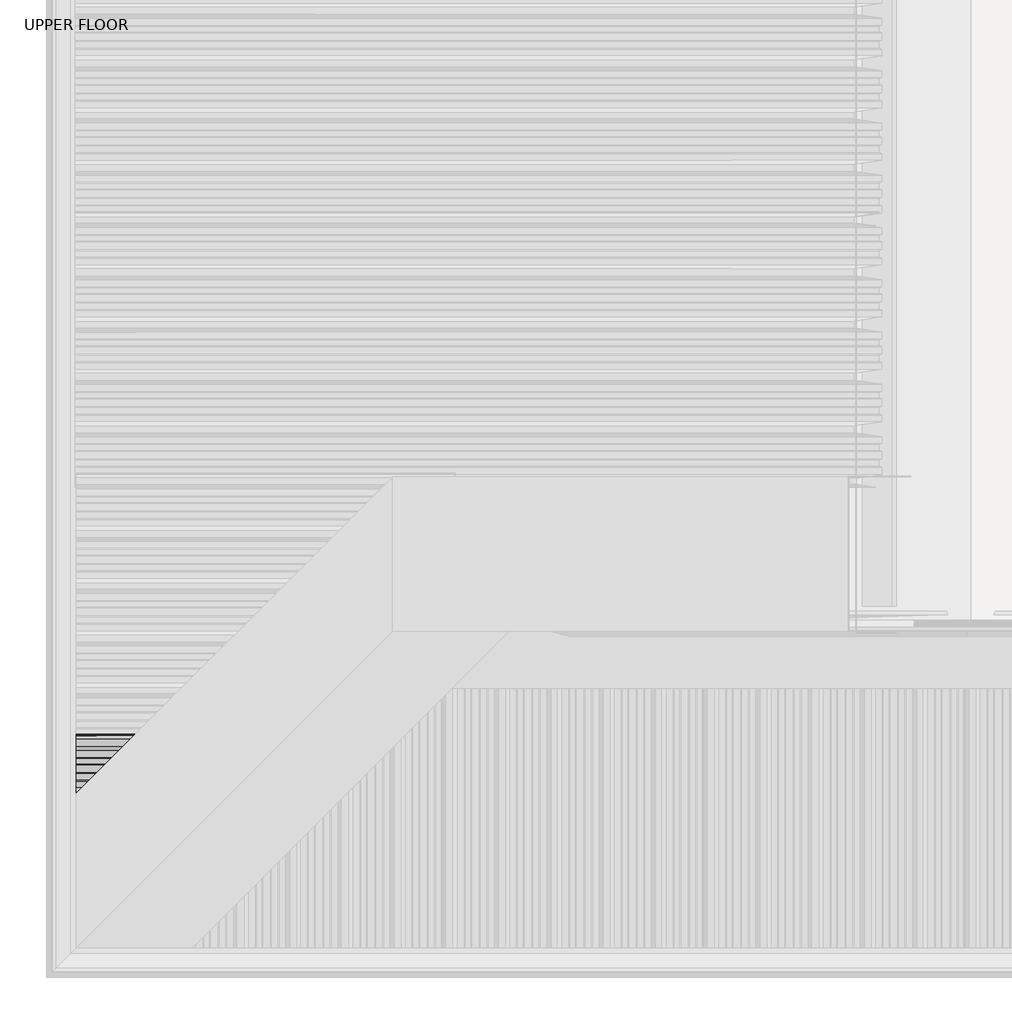
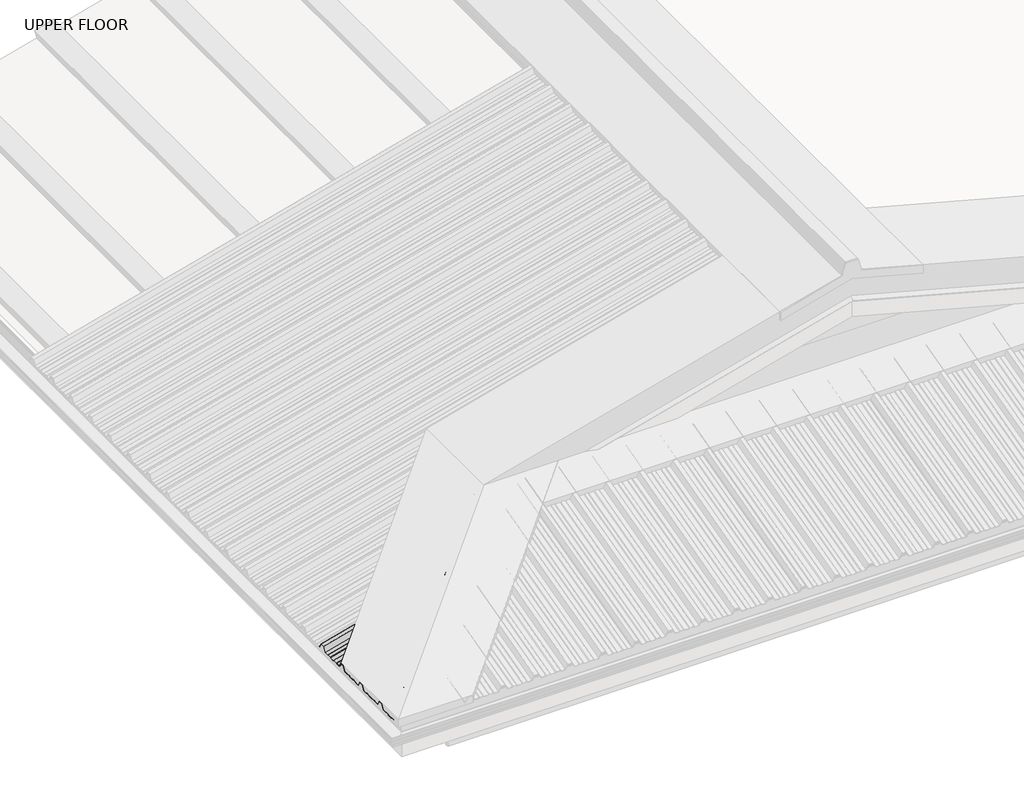
# One storey, part 2 of 21: 1 beam.
"""IFC4 building model written with IfcOpenShell, lengths in millimetres."""

from ifc_helpers import new_model, si_unit, frame, origin, place, context, project, spatial, ellipse_curve, element, save
from ifc_brep_helpers import plane_surface, cylinder_surface, advanced_brep

model = new_model("IFC4")

# Units and contexts
model_context = context("Model", 3, world=origin())
ifc_project = project(units=[si_unit("LENGTHUNIT", "METRE", prefix="MILLI")], contexts=[model_context])

# Site, building, storey
site = spatial("IfcSite", under=ifc_project)
building = spatial("IfcBuilding", under=site)
storey = spatial("IfcBuildingStorey", under=building, Name="UPPER FLOOR", Elevation=2700.0)

# Beam
placement = place(None, origin())
element("IfcBeam", 1, at=placement, inside=storey, context=model_context, shape_type="AdvancedBrep", body=[
    advanced_brep(
    [(-576.6283303, -4610.1271871, 3277.5844921), (-592.3448479, -4625.8437047, 3273.3732639), (-592.3448479, -4610.1271871, 3273.3732639), (-573.3641663, -4606.8630231, 3276.3885699), (-592.3448479, -4606.8630231, 3271.3027116), (-551.0771581, -4584.5760149, 3282.3603557), (-592.3448479, -4584.5760149, 3271.3027116), (-548.0356996, -4581.5345564, 3285.2458645), (-592.3448479, -4581.5345564, 3273.3732639), (-532.3698957, -4565.8687525, 3289.4435039), (-592.3448479, -4565.8687525, 3273.3732639), (-529.3262538, -4562.8251106, 3288.188493), (-592.3448479, -4562.8251106, 3271.3027116), (-509.0038154, -4542.5026721, 3293.6338739), (-592.3448479, -4542.5026721, 3271.3027116), (-497.0184595, -4530.5173163, 3318.5861402), (-592.3448479, -4530.5173163, 3293.0435114), (-478.0172403, -4511.516097, 3323.6775015), (-592.3448479, -4511.516097, 3293.0435114), (-466.0038154, -4499.5026721, 3305.1556892), (-592.3448479, -4499.5026721, 3271.3027116), (-446.3617674, -4479.8606242, 3310.4187601), (-592.3448479, -4479.8606242, 3271.3027116), (-442.2351654, -4475.7340222, 3313.5950321), (-592.3448479, -4475.7340222, 3273.3732639), (-424.6283303, -4458.1271871, 3318.3127694), (-592.3448479, -4458.1271871, 3273.3732639), (-421.3641663, -4454.8630231, 3317.1168471), (-592.3448479, -4454.8630231, 3271.3027116), (-399.0771581, -4432.5760149, 3323.088633), (-592.3448479, -4432.5760149, 3271.3027116), (-396.0356996, -4429.5345564, 3325.9741417), (-592.3448479, -4429.5345564, 3273.3732639), (-380.3698957, -4413.8687525, 3330.1717812), (-592.3448479, -4413.8687525, 3273.3732639), (-377.3262538, -4410.8251106, 3328.9167702), (-592.3448479, -4410.8251106, 3271.3027116), (-357.0038154, -4390.5026721, 3334.3621512), (-592.3448479, -4390.5026721, 3271.3027116), (-345.0184595, -4378.5173163, 3359.3144174), (-592.3448479, -4378.5173163, 3293.0435114), (-326.0172403, -4359.516097, 3364.4057788), (-592.3448479, -4359.516097, 3293.0435114), (-314.0038154, -4347.5026721, 3345.8839665), (-592.3448479, -4347.5026721, 3271.3027116), (-294.3617674, -4327.8606242, 3351.1470374), (-592.3448479, -4327.8606242, 3271.3027116), (-290.2351654, -4323.7340222, 3354.3233094), (-592.3448479, -4323.7340222, 3273.3732639), (-272.6283303, -4306.1271871, 3359.0410466), (-592.3448479, -4306.1271871, 3273.3732639), (-269.3641663, -4302.8630231, 3357.8451244), (-592.3448479, -4302.8630231, 3271.3027116), (-247.0771581, -4280.5760149, 3363.8169102), (-592.3448479, -4280.5760149, 3271.3027116), (-244.0356996, -4277.5345564, 3366.702419), (-592.3448479, -4277.5345564, 3273.3732639), (-228.3698957, -4261.8687525, 3370.9000584), (-592.3448479, -4261.8687525, 3273.3732639), (-225.3262538, -4258.8251106, 3369.6450475), (-592.3448479, -4258.8251106, 3271.3027116), (-205.0038154, -4238.5026721, 3375.0904284), (-592.3448479, -4238.5026721, 3271.3027116), (-193.0184595, -4226.5173163, 3400.0426947), (-592.3448479, -4226.5173163, 3293.0435114), (-174.0172403, -4207.516097, 3405.134056), (-592.3448479, -4207.516097, 3293.0435114), (-162.0038154, -4195.5026721, 3386.6122437), (-592.3448479, -4195.5026721, 3271.3027116), (-142.3617674, -4175.8606242, 3391.8753146), (-592.3448479, -4175.8606242, 3271.3027116), (-138.2351654, -4171.7340222, 3395.0515866), (-592.3448479, -4171.7340222, 3273.3732639), (-120.6283303, -4154.1271871, 3399.7693239), (-592.3448479, -4154.1271871, 3273.3732639), (-117.3641663, -4150.8630231, 3398.5734016), (-592.3448479, -4150.8630231, 3271.3027116), (-95.0771581, -4128.5760149, 3404.5451875), (-592.3448479, -4128.5760149, 3271.3027116), (-92.0356996, -4125.5345564, 3407.4306962), (-592.3448479, -4125.5345564, 3273.3732639), (-76.3698957, -4109.8687525, 3411.6283357), (-592.3448479, -4109.8687525, 3273.3732639), (-73.3262538, -4106.8251106, 3410.3733247), (-592.3448479, -4106.8251106, 3271.3027116), (-53.0038154, -4086.5026721, 3415.8187057), (-592.3448479, -4086.5026721, 3271.3027116), (-41.0184595, -4074.5173163, 3440.7709719), (-592.3448479, -4074.5173163, 3293.0435114), (-22.0172403, -4055.516097, 3445.8623333), (-592.3448479, -4055.516097, 3293.0435114), (-11.1479511, -4044.6468079, 3429.1045031), (-592.3448479, -4044.6468079, 3273.3732639), (-7.7124214, -4041.2112782, 3430.0250505), (-592.3448479, -4041.2112782, 3273.3732639), (-7.7124214, -4041.2112782, 3431.0603267), (-592.3448479, -4041.2112782, 3274.4085401), (-10.6485607, -4044.1474175, 3430.2735905), (-592.3448479, -4044.1474175, 3274.4085401), (-21.5178499, -4055.0167067, 3447.0314207), (-592.3448479, -4055.0167067, 3294.0787875), (-41.5178499, -4075.0167067, 3441.6724368), (-592.3448479, -4075.0167067, 3294.0787875), (-53.5032058, -4087.0020625, 3416.7201706), (-592.3448479, -4087.0020625, 3272.3379878), (-73.0271028, -4106.5259596, 3411.4887582), (-592.3448479, -4106.5259596, 3272.3379878), (-76.0707447, -4109.5696015, 3412.7437692), (-592.3448479, -4109.5696015, 3274.4085401), (-92.3350301, -4125.8338868, 3408.385767), (-592.3448479, -4125.8338868, 3274.4085401), (-95.3764886, -4128.8753453, 3405.5002583), (-592.3448479, -4128.8753453, 3272.3379878), (-117.0821711, -4150.5810278, 3399.6842382), (-592.3448479, -4150.5810278, 3272.3379878), (-120.3463351, -4153.8451918, 3400.8801605), (-592.3448479, -4153.8451918, 3274.4085401), (-138.4647253, -4171.9635821, 3396.0253524), (-592.3448479, -4171.9635821, 3274.4085401), (-142.5913273, -4176.0901841, 3392.8490804), (-592.3448479, -4176.0901841, 3272.3379878), (-161.504425, -4195.0032818, 3387.7813311), (-592.3448479, -4195.0032818, 3272.3379878), (-173.5178499, -4207.0167067, 3406.3031434), (-592.3448479, -4207.0167067, 3294.0787875), (-193.5178499, -4227.0167067, 3400.9441596), (-592.3448479, -4227.0167067, 3294.0787875), (-205.5032058, -4239.0020625, 3375.9918934), (-592.3448479, -4239.0020625, 3272.3379878), (-225.0271028, -4258.5259596, 3370.7604809), (-592.3448479, -4258.5259596, 3272.3379878), (-228.0707447, -4261.5696015, 3372.0154919), (-592.3448479, -4261.5696015, 3274.4085401), (-244.3350301, -4277.8338868, 3367.6574898), (-592.3448479, -4277.8338868, 3274.4085401), (-247.3764886, -4280.8753453, 3364.7719811), (-592.3448479, -4280.8753453, 3272.3379878), (-269.0821711, -4302.5810278, 3358.955961), (-592.3448479, -4302.5810278, 3272.3379878), (-272.3463351, -4305.8451918, 3360.1518832), (-592.3448479, -4305.8451918, 3274.4085401), (-290.4647253, -4323.9635821, 3355.2970752), (-592.3448479, -4323.9635821, 3274.4085401), (-294.5913273, -4328.0901841, 3352.1208031), (-592.3448479, -4328.0901841, 3272.3379878), (-313.504425, -4347.0032818, 3347.0530539), (-592.3448479, -4347.0032818, 3272.3379878), (-325.5178499, -4359.0167067, 3365.5748662), (-592.3448479, -4359.0167067, 3294.0787875), (-345.5178499, -4379.0167067, 3360.2158823), (-592.3448479, -4379.0167067, 3294.0787875), (-357.5032058, -4391.0020625, 3335.2636161), (-592.3448479, -4391.0020625, 3272.3379878), (-377.0271028, -4410.5259596, 3330.0322037), (-592.3448479, -4410.5259596, 3272.3379878), (-380.0707447, -4413.5696015, 3331.2872147), (-592.3448479, -4413.5696015, 3274.4085401), (-396.3350301, -4429.8338868, 3326.9292125), (-592.3448479, -4429.8338868, 3274.4085401), (-399.3764886, -4432.8753453, 3324.0437038), (-592.3448479, -4432.8753453, 3272.3379878), (-421.0821711, -4454.5810278, 3318.2276837), (-592.3448479, -4454.5810278, 3272.3379878), (-424.3463351, -4457.8451918, 3319.423606), (-592.3448479, -4457.8451918, 3274.4085401), (-442.4647253, -4475.9635821, 3314.5687979), (-592.3448479, -4475.9635821, 3274.4085401), (-446.5913273, -4480.0901841, 3311.3925259), (-592.3448479, -4480.0901841, 3272.3379878), (-465.504425, -4499.0032818, 3306.3247766), (-592.3448479, -4499.0032818, 3272.3379878), (-477.5178499, -4511.0167067, 3324.8465889), (-592.3448479, -4511.0167067, 3294.0787875), (-497.5178499, -4531.0167067, 3319.4876051), (-592.3448479, -4531.0167067, 3294.0787875), (-509.5032058, -4543.0020625, 3294.5353389), (-592.3448479, -4543.0020625, 3272.3379878), (-529.0271028, -4562.5259596, 3289.3039264), (-592.3448479, -4562.5259596, 3272.3379878), (-532.0707447, -4565.5696015, 3290.5589374), (-592.3448479, -4565.5696015, 3274.4085401), (-548.3350301, -4581.8338868, 3286.2009353), (-592.3448479, -4581.8338868, 3274.4085401), (-551.3764886, -4584.8753453, 3283.3154266), (-592.3448479, -4584.8753453, 3272.3379878), (-573.0821711, -4606.5810278, 3277.4994065), (-592.3448479, -4606.5810278, 3272.3379878), (-576.3463351, -4609.8451918, 3278.6953287), (-592.3448479, -4609.8451918, 3274.4085401), (-592.3448479, -4625.8437047, 3274.4085401)],
    [
        (0, 1),
        (1, 2),
        (2, 0),
        (3, 0),
        (2, 4),
        (4, 3),
        (5, 3),
        (4, 6),
        (6, 5),
        (7, 5),
        (6, 8),
        (8, 7),
        (9, 7),
        (8, 10),
        (10, 9),
        (11, 9),
        (10, 12),
        (12, 11),
        (13, 11),
        (12, 14),
        (14, 13),
        (15, 13),
        (14, 16),
        (16, 15),
        (17, 15),
        (16, 18),
        (18, 17),
        (19, 17),
        (18, 20),
        (20, 19),
        (21, 19),
        (20, 22),
        (22, 21),
        (23, 21),
        (22, 24),
        (24, 23),
        (25, 23),
        (24, 26),
        (26, 25),
        (27, 25),
        (26, 28),
        (28, 27),
        (29, 27),
        (28, 30),
        (30, 29),
        (31, 29),
        (30, 32),
        (32, 31),
        (33, 31),
        (32, 34),
        (34, 33),
        (35, 33),
        (34, 36),
        (36, 35),
        (37, 35),
        (36, 38),
        (38, 37),
        (39, 37),
        (38, 40),
        (40, 39),
        (41, 39),
        (40, 42),
        (42, 41),
        (43, 41),
        (42, 44),
        (44, 43),
        (45, 43),
        (44, 46),
        (46, 45),
        (47, 45),
        (46, 48),
        (48, 47),
        (49, 47),
        (48, 50),
        (50, 49),
        (51, 49),
        (50, 52),
        (52, 51),
        (53, 51),
        (52, 54),
        (54, 53),
        (55, 53),
        (54, 56),
        (56, 55),
        (57, 55),
        (56, 58),
        (58, 57),
        (59, 57),
        (58, 60),
        (60, 59),
        (61, 59),
        (60, 62),
        (62, 61),
        (63, 61),
        (62, 64),
        (64, 63),
        (65, 63),
        (64, 66),
        (66, 65),
        (67, 65),
        (66, 68),
        (68, 67),
        (69, 67),
        (68, 70),
        (70, 69),
        (71, 69),
        (70, 72),
        (72, 71),
        (73, 71),
        (72, 74),
        (74, 73),
        (75, 73),
        (74, 76),
        (76, 75),
        (77, 75),
        (76, 78),
        (78, 77),
        (79, 77),
        (78, 80),
        (80, 79),
        (81, 79),
        (80, 82),
        (82, 81),
        (83, 81),
        (82, 84),
        (84, 83),
        (85, 83),
        (84, 86),
        (86, 85),
        (87, 85),
        (86, 88),
        (88, 87),
        (89, 87),
        (88, 90),
        (90, 89),
        (91, 89),
        (90, 92),
        (92, 91),
        (93, 91),
        (92, 94),
        (94, 93),
        (95, 93, ellipse_curve(frame((-7.7124214, -4041.2112782, 3430.5426886), z_axis=(-0.7071067811865475, 0.7071067811865476, 0.0), x_axis=(0.6612248329466448, 0.6612248329466447, 0.35434932000691577)), 0.7320508, 0.5)),
        (94, 96, ellipse_curve(frame((-592.3448479, -4041.2112782, 3273.890902), z_axis=(1.0, 0.0, 0.0), x_axis=(0.0, 0.0, 1.0)), 0.5176381, 0.5)),
        (96, 95),
        (97, 95),
        (96, 98),
        (98, 97),
        (99, 97),
        (98, 100),
        (100, 99),
        (101, 99),
        (100, 102),
        (102, 101),
        (103, 101),
        (102, 104),
        (104, 103),
        (105, 103),
        (104, 106),
        (106, 105),
        (107, 105),
        (106, 108),
        (108, 107),
        (109, 107),
        (108, 110),
        (110, 109),
        (111, 109),
        (110, 112),
        (112, 111),
        (113, 111),
        (112, 114),
        (114, 113),
        (115, 113),
        (114, 116),
        (116, 115),
        (117, 115),
        (116, 118),
        (118, 117),
        (119, 117),
        (118, 120),
        (120, 119),
        (121, 119),
        (120, 122),
        (122, 121),
        (123, 121),
        (122, 124),
        (124, 123),
        (125, 123),
        (124, 126),
        (126, 125),
        (127, 125),
        (126, 128),
        (128, 127),
        (129, 127),
        (128, 130),
        (130, 129),
        (131, 129),
        (130, 132),
        (132, 131),
        (133, 131),
        (132, 134),
        (134, 133),
        (135, 133),
        (134, 136),
        (136, 135),
        (137, 135),
        (136, 138),
        (138, 137),
        (139, 137),
        (138, 140),
        (140, 139),
        (141, 139),
        (140, 142),
        (142, 141),
        (143, 141),
        (142, 144),
        (144, 143),
        (145, 143),
        (144, 146),
        (146, 145),
        (147, 145),
        (146, 148),
        (148, 147),
        (149, 147),
        (148, 150),
        (150, 149),
        (151, 149),
        (150, 152),
        (152, 151),
        (153, 151),
        (152, 154),
        (154, 153),
        (155, 153),
        (154, 156),
        (156, 155),
        (157, 155),
        (156, 158),
        (158, 157),
        (159, 157),
        (158, 160),
        (160, 159),
        (161, 159),
        (160, 162),
        (162, 161),
        (163, 161),
        (162, 164),
        (164, 163),
        (165, 163),
        (164, 166),
        (166, 165),
        (167, 165),
        (166, 168),
        (168, 167),
        (169, 167),
        (168, 170),
        (170, 169),
        (171, 169),
        (170, 172),
        (172, 171),
        (173, 171),
        (172, 174),
        (174, 173),
        (175, 173),
        (174, 176),
        (176, 175),
        (177, 175),
        (176, 178),
        (178, 177),
        (179, 177),
        (178, 180),
        (180, 179),
        (181, 179),
        (180, 182),
        (182, 181),
        (183, 181),
        (182, 184),
        (184, 183),
        (185, 183),
        (184, 186),
        (186, 185),
        (187, 185),
        (186, 188),
        (188, 187),
        (189, 187),
        (188, 189),
        (189, 1),
    ],
    [
        plane_surface(frame((511.2414688, -4627.7340222, 3569.0783263), z_axis=(0.2588190451025209, 0.0, -0.9659258262890683), x_axis=(-0.9659258262890683, 0.0, -0.2588190451025209))),
        plane_surface(frame((511.2414688, -4610.1271871, 3569.0783263), z_axis=(0.22068801492462936, -0.5224449573493002, -0.8236188843202386), x_axis=(-0.9659258262890683, 0.0, -0.2588190451025209))),
        plane_surface(frame((511.7591069, -4606.8630231, 3567.1464746), z_axis=(0.2588190451025209, 0.0, -0.9659258262890683), x_axis=(-0.9659258262890683, 0.0, -0.2588190451025209))),
        plane_surface(frame((511.7591069, -4584.5760149, 3567.1464746), z_axis=(0.21625317242009617, 0.5494325148836765, -0.8070678267697474), x_axis=(-0.9659258262890683, 0.0, -0.2588190451025209))),
        plane_surface(frame((511.2414688, -4581.5345564, 3569.0783263), z_axis=(0.2588190451025209, 0.0, -0.9659258262890683), x_axis=(-0.9659258262890683, 0.0, -0.2588190451025209))),
        plane_surface(frame((511.2414688, -4565.8687525, 3569.0783263), z_axis=(0.21630000128988644, -0.5491572662555926, -0.8072425944910732), x_axis=(-0.9659258262890683, 0.0, -0.2588190451025209))),
        plane_surface(frame((511.7591069, -4562.8251106, 3567.1464746), z_axis=(0.2588190451025209, 0.0, -0.9659258262890683), x_axis=(-0.9659258262890683, 0.0, -0.2588190451025209))),
        plane_surface(frame((511.7591069, -4542.5026721, 3567.1464746), z_axis=(0.12829202185299585, 0.8685039140295298, -0.47879234376111096), x_axis=(-0.9659258262890683, 0.0, -0.2588190451025209))),
        plane_surface(frame((506.323907, -4530.5173163, 3587.430917), z_axis=(0.2588190451025209, 0.0, -0.9659258262890683), x_axis=(-0.9659258262890683, 0.0, -0.2588190451025209))),
        plane_surface(frame((506.323907, -4511.516097, 3587.430917), z_axis=(0.1285184574502784, -0.8680040081860081, -0.47963741291482376), x_axis=(-0.9659258262890683, 0.0, -0.2588190451025209))),
        plane_surface(frame((511.7591069, -4499.5026721, 3567.1464746), z_axis=(0.2588190451025209, 0.0, -0.9659258262890683), x_axis=(-0.9659258262890683, 0.0, -0.2588190451025209))),
        plane_surface(frame((511.7591069, -4479.8606242, 3567.1464746), z_axis=(0.23290623468573984, 0.4361363616997863, -0.8692179012467383), x_axis=(-0.9659258262890683, 0.0, -0.2588190451025209))),
        plane_surface(frame((511.2414688, -4475.7340222, 3569.0783263), z_axis=(0.2588190451025209, 0.0, -0.9659258262890683), x_axis=(-0.9659258262890683, 0.0, -0.2588190451025209))),
        plane_surface(frame((511.2414688, -4458.1271871, 3569.0783263), z_axis=(0.22068801492462894, -0.5224449573493027, -0.8236188843202371), x_axis=(-0.9659258262890683, 0.0, -0.2588190451025209))),
        plane_surface(frame((511.7591069, -4454.8630231, 3567.1464746), z_axis=(0.2588190451025209, 0.0, -0.9659258262890683), x_axis=(-0.9659258262890683, 0.0, -0.2588190451025209))),
        plane_surface(frame((511.7591069, -4432.5760149, 3567.1464746), z_axis=(0.21625317242009912, 0.5494325148836594, -0.8070678267697583), x_axis=(-0.9659258262890683, 0.0, -0.2588190451025209))),
        plane_surface(frame((511.2414688, -4429.5345564, 3569.0783263), z_axis=(0.2588190451025209, 0.0, -0.9659258262890683), x_axis=(-0.9659258262890683, 0.0, -0.2588190451025209))),
        plane_surface(frame((511.2414688, -4413.8687525, 3569.0783263), z_axis=(0.2163000012898864, -0.5491572662555926, -0.8072425944910732), x_axis=(-0.9659258262890683, 0.0, -0.2588190451025209))),
        plane_surface(frame((511.7591069, -4410.8251106, 3567.1464746), z_axis=(0.2588190451025209, 0.0, -0.9659258262890683), x_axis=(-0.9659258262890683, 0.0, -0.2588190451025209))),
        plane_surface(frame((511.7591069, -4390.5026721, 3567.1464746), z_axis=(0.1282920218529956, 0.8685039140295304, -0.47879234376110996), x_axis=(-0.9659258262890683, 0.0, -0.2588190451025209))),
        plane_surface(frame((506.323907, -4378.5173163, 3587.430917), z_axis=(0.2588190451025209, 0.0, -0.9659258262890683), x_axis=(-0.9659258262890683, 0.0, -0.2588190451025209))),
        plane_surface(frame((506.323907, -4359.516097, 3587.430917), z_axis=(0.1285184574502784, -0.8680040081860081, -0.47963741291482376), x_axis=(-0.9659258262890683, 0.0, -0.2588190451025209))),
        plane_surface(frame((511.7591069, -4347.5026721, 3567.1464746), z_axis=(0.2588190451025209, 0.0, -0.9659258262890683), x_axis=(-0.9659258262890683, 0.0, -0.2588190451025209))),
        plane_surface(frame((511.7591069, -4327.8606242, 3567.1464746), z_axis=(0.23290623468573948, 0.4361363616997891, -0.8692179012467369), x_axis=(-0.9659258262890683, 0.0, -0.2588190451025209))),
        plane_surface(frame((511.2414688, -4323.7340222, 3569.0783263), z_axis=(0.2588190451025209, 0.0, -0.9659258262890683), x_axis=(-0.9659258262890683, 0.0, -0.2588190451025209))),
        plane_surface(frame((511.2414688, -4306.1271871, 3569.0783263), z_axis=(0.22068801492462944, -0.5224449573492995, -0.823618884320239), x_axis=(-0.9659258262890683, 0.0, -0.2588190451025209))),
        plane_surface(frame((511.7591069, -4302.8630231, 3567.1464746), z_axis=(0.2588190451025209, 0.0, -0.9659258262890683), x_axis=(-0.9659258262890683, 0.0, -0.2588190451025209))),
        plane_surface(frame((511.7591069, -4280.5760149, 3567.1464746), z_axis=(0.21625317242009767, 0.549432514883668, -0.8070678267697529), x_axis=(-0.9659258262890683, 0.0, -0.2588190451025209))),
        plane_surface(frame((511.2414688, -4277.5345564, 3569.0783263), z_axis=(0.2588190451025209, 0.0, -0.9659258262890683), x_axis=(-0.9659258262890683, 0.0, -0.2588190451025209))),
        plane_surface(frame((511.2414688, -4261.8687525, 3569.0783263), z_axis=(0.2163000012898867, -0.549157266255591, -0.8072425944910743), x_axis=(-0.9659258262890683, 0.0, -0.2588190451025209))),
        plane_surface(frame((511.7591069, -4258.8251106, 3567.1464746), z_axis=(0.2588190451025209, 0.0, -0.9659258262890683), x_axis=(-0.9659258262890683, 0.0, -0.2588190451025209))),
        plane_surface(frame((511.7591069, -4238.5026721, 3567.1464746), z_axis=(0.12829202185299565, 0.8685039140295303, -0.47879234376111013), x_axis=(-0.9659258262890683, 0.0, -0.2588190451025209))),
        plane_surface(frame((506.323907, -4226.5173163, 3587.430917), z_axis=(0.2588190451025209, 0.0, -0.9659258262890683), x_axis=(-0.9659258262890683, 0.0, -0.2588190451025209))),
        plane_surface(frame((506.323907, -4207.516097, 3587.430917), z_axis=(0.12851845745027846, -0.8680040081860081, -0.47963741291482376), x_axis=(-0.9659258262890683, 0.0, -0.2588190451025209))),
        plane_surface(frame((511.7591069, -4195.5026721, 3567.1464746), z_axis=(0.2588190451025209, 0.0, -0.9659258262890683), x_axis=(-0.9659258262890683, 0.0, -0.2588190451025209))),
        plane_surface(frame((511.7591069, -4175.8606242, 3567.1464746), z_axis=(0.23290623468573912, 0.43613636169979203, -0.8692179012467355), x_axis=(-0.9659258262890683, 0.0, -0.25881904510252096))),
        plane_surface(frame((511.2414688, -4171.7340222, 3569.0783263), z_axis=(0.2588190451025209, 0.0, -0.9659258262890683), x_axis=(-0.9659258262890683, 0.0, -0.2588190451025209))),
        plane_surface(frame((511.2414688, -4154.1271871, 3569.0783263), z_axis=(0.22068801492462947, -0.5224449573492994, -0.823618884320239), x_axis=(-0.9659258262890683, 0.0, -0.2588190451025209))),
        plane_surface(frame((511.7591069, -4150.8630231, 3567.1464746), z_axis=(0.2588190451025209, 0.0, -0.9659258262890683), x_axis=(-0.9659258262890683, 0.0, -0.2588190451025209))),
        plane_surface(frame((511.7591069, -4128.5760149, 3567.1464746), z_axis=(0.21625317242009562, 0.5494325148836796, -0.8070678267697454), x_axis=(-0.9659258262890683, 0.0, -0.2588190451025209))),
        plane_surface(frame((511.2414688, -4125.5345564, 3569.0783263), z_axis=(0.2588190451025209, 0.0, -0.9659258262890683), x_axis=(-0.9659258262890683, 0.0, -0.2588190451025209))),
        plane_surface(frame((511.2414688, -4109.8687525, 3569.0783263), z_axis=(0.21630000128988588, -0.5491572662555958, -0.8072425944910712), x_axis=(-0.9659258262890683, 0.0, -0.2588190451025209))),
        plane_surface(frame((511.7591069, -4106.8251106, 3567.1464746), z_axis=(0.2588190451025209, 0.0, -0.9659258262890683), x_axis=(-0.9659258262890683, 0.0, -0.2588190451025209))),
        plane_surface(frame((511.7591069, -4086.5026721, 3567.1464746), z_axis=(0.12829202185299454, 0.8685039140295325, -0.4787923437611062), x_axis=(-0.9659258262890683, 0.0, -0.2588190451025209))),
        plane_surface(frame((506.323907, -4074.5173163, 3587.430917), z_axis=(0.2588190451025209, 0.0, -0.9659258262890683), x_axis=(-0.9659258262890683, 0.0, -0.2588190451025209))),
        plane_surface(frame((506.323907, -4055.516097, 3587.430917), z_axis=(0.12851845745027682, -0.8680040081860119, -0.4796374129148176), x_axis=(-0.9659258262890683, 0.0, -0.2588190451025209))),
        plane_surface(frame((511.2414688, -4044.6468079, 3569.0783263), z_axis=(0.2588190451025209, 0.0, -0.9659258262890683), x_axis=(-0.9659258262890683, 0.0, -0.2588190451025209))),
        cylinder_surface(frame((-604.630117, -4041.2112782, 3270.5990741), z_axis=(0.9659258262890683, 0.0, 0.2588190451025209), x_axis=(0.0, 1.0000000000000002, 0.0)), 0.5),
        plane_surface(frame((510.9826498, -4041.2112782, 3570.0442521), z_axis=(-0.2588190451025209, 0.0, 0.9659258262890683), x_axis=(-0.9659258262890683, 0.0, -0.2588190451025209))),
        plane_surface(frame((510.9826498, -4044.1474175, 3570.0442521), z_axis=(-0.12851845745027682, 0.8680040081860119, 0.4796374129148176), x_axis=(-0.9659258262890683, 0.0, -0.2588190451025209))),
        plane_surface(frame((506.0650879, -4055.0167067, 3588.3968428), z_axis=(-0.2588190451025209, 0.0, 0.9659258262890683), x_axis=(-0.9659258262890683, 0.0, -0.2588190451025209))),
        plane_surface(frame((506.0650879, -4075.0167067, 3588.3968428), z_axis=(-0.1282920218529958, -0.8685039140295299, 0.4787923437611108), x_axis=(-0.9659258262890683, 0.0, -0.2588190451025209))),
        plane_surface(frame((511.5002879, -4087.0020625, 3568.1124005), z_axis=(-0.2588190451025209, 0.0, 0.9659258262890683), x_axis=(-0.9659258262890683, 0.0, -0.2588190451025209))),
        plane_surface(frame((511.5002879, -4106.5259596, 3568.1124005), z_axis=(-0.21630000128988644, 0.5491572662555926, 0.8072425944910732), x_axis=(-0.9659258262890683, 0.0, -0.2588190451025209))),
        plane_surface(frame((510.9826498, -4109.5696015, 3570.0442521), z_axis=(-0.2588190451025209, 0.0, 0.9659258262890683), x_axis=(-0.9659258262890683, 0.0, -0.2588190451025209))),
        plane_surface(frame((510.9826498, -4125.8338868, 3570.0442521), z_axis=(-0.21625317242009562, -0.5494325148836796, 0.8070678267697454), x_axis=(-0.9659258262890683, 0.0, -0.2588190451025209))),
        plane_surface(frame((511.5002879, -4128.8753453, 3568.1124005), z_axis=(-0.2588190451025209, 0.0, 0.9659258262890683), x_axis=(-0.9659258262890683, 0.0, -0.2588190451025209))),
        plane_surface(frame((511.5002879, -4150.5810278, 3568.1124005), z_axis=(-0.2206880149246275, 0.522444957349312, 0.8236188843202316), x_axis=(-0.9659258262890683, 0.0, -0.2588190451025209))),
        plane_surface(frame((510.9826498, -4153.8451918, 3570.0442521), z_axis=(-0.2588190451025209, 0.0, 0.9659258262890683), x_axis=(-0.9659258262890683, 0.0, -0.2588190451025209))),
        plane_surface(frame((510.9826498, -4171.9635821, 3570.0442521), z_axis=(-0.23290623468573945, -0.43613636169978903, 0.8692179012467369), x_axis=(-0.9659258262890683, 0.0, -0.2588190451025209))),
        plane_surface(frame((511.5002879, -4176.0901841, 3568.1124005), z_axis=(-0.2588190451025209, 0.0, 0.9659258262890683), x_axis=(-0.9659258262890683, 0.0, -0.2588190451025209))),
        plane_surface(frame((511.5002879, -4195.0032818, 3568.1124005), z_axis=(-0.12851845745027865, 0.8680040081860081, 0.47963741291482415), x_axis=(-0.9659258262890683, 0.0, -0.2588190451025209))),
        plane_surface(frame((506.0650879, -4207.0167067, 3588.3968428), z_axis=(-0.2588190451025209, 0.0, 0.9659258262890683), x_axis=(-0.9659258262890683, 0.0, -0.2588190451025209))),
        plane_surface(frame((506.0650879, -4227.0167067, 3588.3968428), z_axis=(-0.12829202185299565, -0.8685039140295301, 0.4787923437611102), x_axis=(-0.9659258262890683, 0.0, -0.2588190451025209))),
        plane_surface(frame((511.5002879, -4239.0020625, 3568.1124005), z_axis=(-0.2588190451025209, 0.0, 0.9659258262890683), x_axis=(-0.9659258262890683, 0.0, -0.2588190451025209))),
        plane_surface(frame((511.5002879, -4258.5259596, 3568.1124005), z_axis=(-0.21630000128988697, 0.5491572662555894, 0.8072425944910753), x_axis=(-0.9659258262890683, 0.0, -0.2588190451025209))),
        plane_surface(frame((510.9826498, -4261.5696015, 3570.0442521), z_axis=(-0.2588190451025209, 0.0, 0.9659258262890683), x_axis=(-0.9659258262890683, 0.0, -0.2588190451025209))),
        plane_surface(frame((510.9826498, -4277.8338868, 3570.0442521), z_axis=(-0.21625317242009823, -0.5494325148836647, 0.8070678267697551), x_axis=(-0.9659258262890683, 0.0, -0.2588190451025209))),
        plane_surface(frame((511.5002879, -4280.8753453, 3568.1124005), z_axis=(-0.2588190451025209, 0.0, 0.9659258262890683), x_axis=(-0.9659258262890683, 0.0, -0.2588190451025209))),
        plane_surface(frame((511.5002879, -4302.5810278, 3568.1124005), z_axis=(-0.22068801492462872, 0.5224449573493041, 0.8236188843202363), x_axis=(-0.9659258262890683, 0.0, -0.2588190451025209))),
        plane_surface(frame((510.9826498, -4305.8451918, 3570.0442521), z_axis=(-0.2588190451025209, 0.0, 0.9659258262890683), x_axis=(-0.9659258262890683, 0.0, -0.2588190451025209))),
        plane_surface(frame((510.9826498, -4323.9635821, 3570.0442521), z_axis=(-0.23290623468574057, -0.4361363616997802, 0.869217901246741), x_axis=(-0.9659258262890683, 0.0, -0.2588190451025209))),
        plane_surface(frame((511.5002879, -4328.0901841, 3568.1124005), z_axis=(-0.2588190451025209, 0.0, 0.9659258262890683), x_axis=(-0.9659258262890683, 0.0, -0.2588190451025209))),
        plane_surface(frame((511.5002879, -4347.0032818, 3568.1124005), z_axis=(-0.12851845745027896, 0.8680040081860071, 0.4796374129148258), x_axis=(-0.9659258262890683, 0.0, -0.2588190451025209))),
        plane_surface(frame((506.0650879, -4359.0167067, 3588.3968428), z_axis=(-0.2588190451025209, 0.0, 0.9659258262890683), x_axis=(-0.9659258262890683, 0.0, -0.2588190451025209))),
        plane_surface(frame((506.0650879, -4379.0167067, 3588.3968428), z_axis=(-0.1282920218529956, -0.8685039140295304, 0.47879234376110996), x_axis=(-0.9659258262890683, 0.0, -0.2588190451025209))),
        plane_surface(frame((511.5002879, -4391.0020625, 3568.1124005), z_axis=(-0.2588190451025209, 0.0, 0.9659258262890683), x_axis=(-0.9659258262890683, 0.0, -0.2588190451025209))),
        plane_surface(frame((511.5002879, -4410.5259596, 3568.1124005), z_axis=(-0.2163000012898864, 0.5491572662555926, 0.8072425944910732), x_axis=(-0.9659258262890683, 0.0, -0.2588190451025209))),
        plane_surface(frame((510.9826498, -4413.5696015, 3570.0442521), z_axis=(-0.2588190451025209, 0.0, 0.9659258262890683), x_axis=(-0.9659258262890683, 0.0, -0.2588190451025209))),
        plane_surface(frame((510.9826498, -4429.8338868, 3570.0442521), z_axis=(-0.21625317242009912, -0.5494325148836594, 0.8070678267697583), x_axis=(-0.9659258262890683, 0.0, -0.2588190451025209))),
        plane_surface(frame((511.5002879, -4432.8753453, 3568.1124005), z_axis=(-0.2588190451025209, 0.0, 0.9659258262890683), x_axis=(-0.9659258262890683, 0.0, -0.2588190451025209))),
        plane_surface(frame((511.5002879, -4454.5810278, 3568.1124005), z_axis=(-0.22068801492462997, 0.5224449573492964, 0.8236188843202409), x_axis=(-0.9659258262890683, 0.0, -0.2588190451025209))),
        plane_surface(frame((510.9826498, -4457.8451918, 3570.0442521), z_axis=(-0.2588190451025209, 0.0, 0.9659258262890683), x_axis=(-0.9659258262890683, 0.0, -0.2588190451025209))),
        plane_surface(frame((510.9826498, -4475.9635821, 3570.0442521), z_axis=(-0.2329062346857402, -0.43613636169978326, 0.8692179012467396), x_axis=(-0.9659258262890683, 0.0, -0.2588190451025209))),
        plane_surface(frame((511.5002879, -4480.0901841, 3568.1124005), z_axis=(-0.2588190451025209, 0.0, 0.9659258262890683), x_axis=(-0.9659258262890683, 0.0, -0.2588190451025209))),
        plane_surface(frame((511.5002879, -4499.0032818, 3568.1124005), z_axis=(-0.12851845745027954, 0.868004008186006, 0.4796374129148279), x_axis=(-0.9659258262890683, 0.0, -0.2588190451025209))),
        plane_surface(frame((506.0650879, -4511.0167067, 3588.3968428), z_axis=(-0.2588190451025209, 0.0, 0.9659258262890683), x_axis=(-0.9659258262890683, 0.0, -0.2588190451025209))),
        plane_surface(frame((506.0650879, -4531.0167067, 3588.3968428), z_axis=(-0.12829202185299565, -0.8685039140295302, 0.4787923437611103), x_axis=(-0.9659258262890683, 0.0, -0.2588190451025209))),
        plane_surface(frame((511.5002879, -4543.0020625, 3568.1124005), z_axis=(-0.2588190451025209, 0.0, 0.9659258262890683), x_axis=(-0.9659258262890683, 0.0, -0.2588190451025209))),
        plane_surface(frame((511.5002879, -4562.5259596, 3568.1124005), z_axis=(-0.216300001289887, 0.5491572662555894, 0.8072425944910753), x_axis=(-0.9659258262890683, 0.0, -0.2588190451025209))),
        plane_surface(frame((510.9826498, -4565.5696015, 3570.0442521), z_axis=(-0.2588190451025209, 0.0, 0.9659258262890683), x_axis=(-0.9659258262890683, 0.0, -0.2588190451025209))),
        plane_surface(frame((510.9826498, -4581.8338868, 3570.0442521), z_axis=(-0.21625317242009745, -0.5494325148836687, 0.8070678267697521), x_axis=(-0.9659258262890683, 0.0, -0.2588190451025209))),
        plane_surface(frame((511.5002879, -4584.8753453, 3568.1124005), z_axis=(-0.2588190451025209, 0.0, 0.9659258262890683), x_axis=(-0.9659258262890683, 0.0, -0.2588190451025209))),
        plane_surface(frame((511.5002879, -4606.5810278, 3568.1124005), z_axis=(-0.22068801492462814, 0.5224449573493081, 0.823618884320234), x_axis=(-0.9659258262890683, 0.0, -0.2588190451025209))),
        plane_surface(frame((510.9826498, -4609.8451918, 3570.0442521), z_axis=(-0.2588190451025209, 0.0, 0.9659258262890683), x_axis=(-0.9659258262890683, 0.0, -0.2588190451025209))),
        plane_surface(frame((1262.0397251, -2771.4591316, 4276.036793), z_axis=(0.7071067811865475, -0.7071067811865476, 0.0), x_axis=(0.0, 0.0, -1.0))),
        plane_surface(frame((-592.3448479, -5046.7244148, 4191.6207588), z_axis=(-1.0, 0.0, 0.0), x_axis=(0.0, 0.0, -1.0))),
    ],
    [
        (0, [[1, 2, 3]]),
        (1, [[4, -3, 5, 6]]),
        (2, [[7, -6, 8, 9]]),
        (3, [[10, -9, 11, 12]]),
        (4, [[13, -12, 14, 15]]),
        (5, [[16, -15, 17, 18]]),
        (6, [[19, -18, 20, 21]]),
        (7, [[22, -21, 23, 24]]),
        (8, [[25, -24, 26, 27]]),
        (9, [[28, -27, 29, 30]]),
        (10, [[31, -30, 32, 33]]),
        (11, [[34, -33, 35, 36]]),
        (12, [[37, -36, 38, 39]]),
        (13, [[40, -39, 41, 42]]),
        (14, [[43, -42, 44, 45]]),
        (15, [[46, -45, 47, 48]]),
        (16, [[49, -48, 50, 51]]),
        (17, [[52, -51, 53, 54]]),
        (18, [[55, -54, 56, 57]]),
        (19, [[58, -57, 59, 60]]),
        (20, [[61, -60, 62, 63]]),
        (21, [[64, -63, 65, 66]]),
        (22, [[67, -66, 68, 69]]),
        (23, [[70, -69, 71, 72]]),
        (24, [[73, -72, 74, 75]]),
        (25, [[76, -75, 77, 78]]),
        (26, [[79, -78, 80, 81]]),
        (27, [[82, -81, 83, 84]]),
        (28, [[85, -84, 86, 87]]),
        (29, [[88, -87, 89, 90]]),
        (30, [[91, -90, 92, 93]]),
        (31, [[94, -93, 95, 96]]),
        (32, [[97, -96, 98, 99]]),
        (33, [[100, -99, 101, 102]]),
        (34, [[103, -102, 104, 105]]),
        (35, [[106, -105, 107, 108]]),
        (36, [[109, -108, 110, 111]]),
        (37, [[112, -111, 113, 114]]),
        (38, [[115, -114, 116, 117]]),
        (39, [[118, -117, 119, 120]]),
        (40, [[121, -120, 122, 123]]),
        (41, [[124, -123, 125, 126]]),
        (42, [[127, -126, 128, 129]]),
        (43, [[130, -129, 131, 132]]),
        (44, [[133, -132, 134, 135]]),
        (45, [[136, -135, 137, 138]]),
        (46, [[139, -138, 140, 141]]),
        (47, [[142, -141, 143, 144]]),
        (48, [[145, -144, 146, 147]]),
        (49, [[148, -147, 149, 150]]),
        (50, [[151, -150, 152, 153]]),
        (51, [[154, -153, 155, 156]]),
        (52, [[157, -156, 158, 159]]),
        (53, [[160, -159, 161, 162]]),
        (54, [[163, -162, 164, 165]]),
        (55, [[166, -165, 167, 168]]),
        (56, [[169, -168, 170, 171]]),
        (57, [[172, -171, 173, 174]]),
        (58, [[175, -174, 176, 177]]),
        (59, [[178, -177, 179, 180]]),
        (60, [[181, -180, 182, 183]]),
        (61, [[184, -183, 185, 186]]),
        (62, [[187, -186, 188, 189]]),
        (63, [[190, -189, 191, 192]]),
        (64, [[193, -192, 194, 195]]),
        (65, [[196, -195, 197, 198]]),
        (66, [[199, -198, 200, 201]]),
        (67, [[202, -201, 203, 204]]),
        (68, [[205, -204, 206, 207]]),
        (69, [[208, -207, 209, 210]]),
        (70, [[211, -210, 212, 213]]),
        (71, [[214, -213, 215, 216]]),
        (72, [[217, -216, 218, 219]]),
        (73, [[220, -219, 221, 222]]),
        (74, [[223, -222, 224, 225]]),
        (75, [[226, -225, 227, 228]]),
        (76, [[229, -228, 230, 231]]),
        (77, [[232, -231, 233, 234]]),
        (78, [[235, -234, 236, 237]]),
        (79, [[238, -237, 239, 240]]),
        (80, [[241, -240, 242, 243]]),
        (81, [[244, -243, 245, 246]]),
        (82, [[247, -246, 248, 249]]),
        (83, [[250, -249, 251, 252]]),
        (84, [[253, -252, 254, 255]]),
        (85, [[256, -255, 257, 258]]),
        (86, [[259, -258, 260, 261]]),
        (87, [[262, -261, 263, 264]]),
        (88, [[265, -264, 266, 267]]),
        (89, [[268, -267, 269, 270]]),
        (90, [[271, -270, 272, 273]]),
        (91, [[274, -273, 275, 276]]),
        (92, [[277, -276, 278, 279]]),
        (93, [[280, -279, 281, 282]]),
        (94, [[283, -282, 284]]),
        (95, [[-4, -7, -10, -13, -16, -19, -22, -25, -28, -31, -34, -37, -40, -43, -46, -49, -52, -55, -58, -61, -64, -67, -70, -73, -76, -79, -82, -85, -88, -91, -94, -97, -100, -103, -106, -109, -112, -115, -118, -121, -124, -127, -130, -133, -136, -139, -142, -145, -148, -151, -154, -157, -160, -163, -166, -169, -172, -175, -178, -181, -184, -187, -190, -193, -196, -199, -202, -205, -208, -211, -214, -217, -220, -223, -226, -229, -232, -235, -238, -241, -244, -247, -250, -253, -256, -259, -262, -265, -268, -271, -274, -277, -280, -283, 285, -1]]),
        (96, [[-2, -285, -284, -281, -278, -275, -272, -269, -266, -263, -260, -257, -254, -251, -248, -245, -242, -239, -236, -233, -230, -227, -224, -221, -218, -215, -212, -209, -206, -203, -200, -197, -194, -191, -188, -185, -182, -179, -176, -173, -170, -167, -164, -161, -158, -155, -152, -149, -146, -143, -140, -137, -134, -131, -128, -125, -122, -119, -116, -113, -110, -107, -104, -101, -98, -95, -92, -89, -86, -83, -80, -77, -74, -71, -68, -65, -62, -59, -56, -53, -50, -47, -44, -41, -38, -35, -32, -29, -26, -23, -20, -17, -14, -11, -8, -5]]),
    ],
),
])

save(model, "model.ifc")
